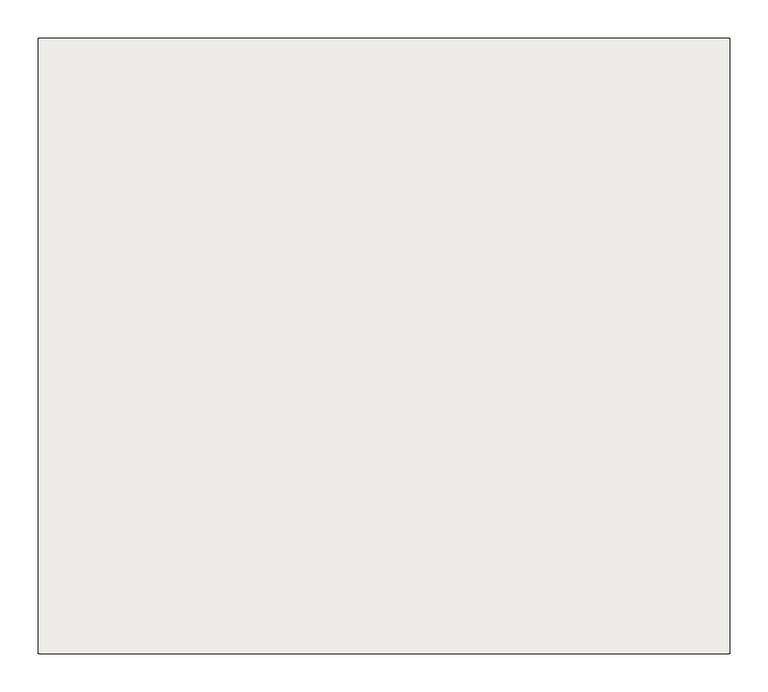
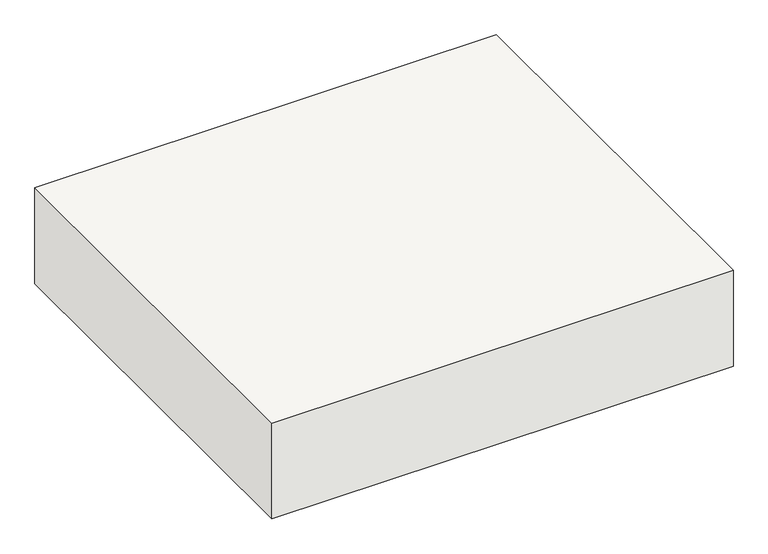
"""IFC4 building model written with IfcOpenShell, lengths in millimetres: slab geometry."""

from ifc_helpers import new_model, si_unit, frame, origin, place, context, project, spatial, polyline, outline, extrude, source, transform, mapped, element, save


def slab_8e2c93b9(model_context):
    return source(origin(), model_context, "Body", "SweptSolid", [
        extrude(outline(polyline([(5834.1270411, 2519.2068086), (5834.1270411, 3329.2068086), (6744.1270411, 3329.2068086), (6744.1270411, 2519.2068086), (5834.1270411, 2519.2068086)])), frame((0.0, 0.0, -870.0), z_axis=(0.0, 0.0, 1.0), x_axis=(1.0, 0.0, 0.0)), (0.0, 0.0, 1.0), 200.0),
    ])


if __name__ == "__main__":
    model = new_model("IFC4")
    model_context = context("Model", 3, world=origin())
    ifc_project = project(units=[si_unit("LENGTHUNIT", "METRE", prefix="MILLI")], contexts=[model_context])
    site = spatial("IfcSite", under=ifc_project)
    building = spatial("IfcBuilding", under=site)
    placement = place(None, origin())
    slab_shape = slab_8e2c93b9(model_context)
    element("IfcSlab", 1, at=placement, inside=building, context=model_context, shape_type="MappedRepresentation", body=[
        mapped(slab_shape, transform((0.0, 0.0, 0.0), x_axis=(1.0, 0.0, 0.0), y_axis=(0.0, 1.0, 0.0), z_axis=(0.0, 0.0, 1.0))),
    ])
    save(model, "model.ifc")
